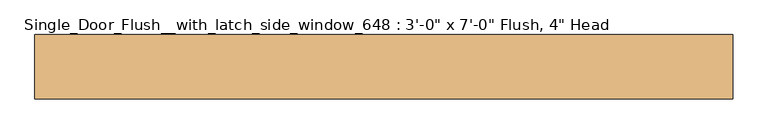
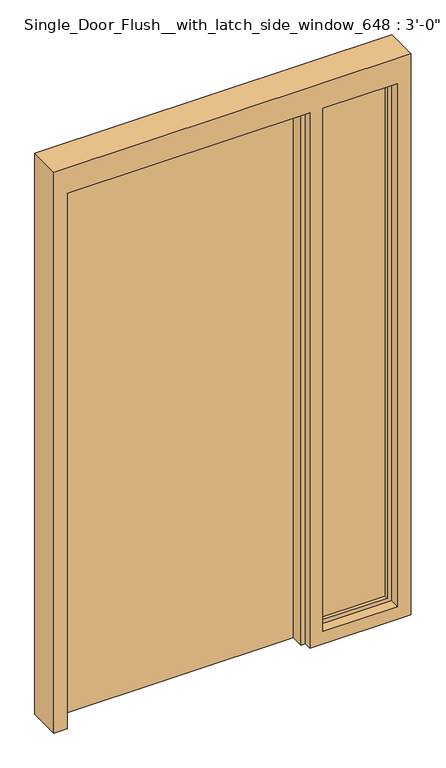
"""IFC4 building model written with IfcOpenShell, lengths in millimetres: door geometry."""

from ifc_helpers import new_model, si_unit, frame, origin, origin_with_axes, place, context, project, spatial, polyline, outline, extrude, faceted_brep, source, transform, mapped, element, save


def door_eb4226c1(model_context):
    return source(origin(), model_context, "Body", "SolidModel", [
        extrude(outline(polyline([(-457.2, 60.0), (457.2, 60.0), (457.2, 15.55), (-457.2, 15.55), (-457.2, 60.0)])), origin_with_axes(), (0.0, 0.0, 1.0), 2133.6),
        extrude(outline(polyline([(2133.6, 508.0), (50.8, 508.0), (50.8, 787.4), (2133.6, 787.4), (2133.6, 508.0)]), holes=[polyline([(2117.725, 771.525), (66.675, 771.525), (66.675, 523.875), (2117.725, 523.875), (2117.725, 771.525)])]), frame((0.0, -25.4, 0.0), z_axis=(0.0, 1.0, 0.0), x_axis=(0.0, 0.0, 1.0)), (0.0, 0.0, 1.0), 50.8),
        faceted_brep([(-457.2, -35.25, 0.0), (-441.325, -35.25, 0.0), (-441.325, -35.25, 2117.725), (441.325, -35.25, 2117.725), (441.325, -35.25, 0.0), (457.2, -35.25, 0.0), (457.2, -35.25, 2133.6), (-457.2, -35.25, 2133.6), (-457.2, -63.825, 0.0), (-508.0, -63.825, 0.0), (-508.0, 60.0, 0.0), (-457.2, 60.0, 0.0), (-457.2, 15.55, 0.0), (-441.325, 15.55, 0.0), (-441.325, 15.55, 2117.725), (441.325, 15.55, 2117.725), (441.325, 15.55, 0.0), (457.2, 15.55, 0.0), (457.2, 60.0, 0.0), (838.2, 60.0, 0.0), (838.2, -63.825, 0.0), (457.2, -63.825, 0.0), (457.2, 60.0, 2133.6), (457.2, 15.55, 2133.6), (457.2, -63.825, 2133.6), (-457.2, 60.0, 2133.6), (-457.2, 15.55, 2133.6), (-457.2, -63.825, 2133.6), (838.2, -63.825, 2235.2), (-508.0, -63.825, 2235.2), (508.0, -63.825, 2133.6), (787.4, -63.825, 2133.6), (787.4, -63.825, 50.8), (508.0, -63.825, 50.8), (-508.0, 60.0, 2235.2), (838.2, 60.0, 2235.2), (508.0, 60.0, 2133.6), (508.0, 60.0, 50.8), (787.4, 60.0, 50.8), (787.4, 60.0, 2133.6)], [[[0, 1, 2, 3, 4, 5, 6, 7]], [[1, 0, 8, 9, 10, 11, 12, 13]], [[2, 1, 13, 14]], [[4, 3, 15, 16]], [[5, 4, 16, 17, 18, 19, 20, 21]], [[22, 18, 17, 23]], [[21, 24, 6, 5]], [[11, 25, 26, 12]], [[27, 8, 0, 7]], [[17, 16, 15, 14, 13, 12, 26, 23]], [[20, 28, 29, 9, 8, 27, 24, 21], [30, 31, 32, 33]], [[34, 10, 9, 29]], [[19, 18, 22, 25, 11, 10, 34, 35], [36, 37, 38, 39]], [[19, 35, 28, 20]], [[37, 36, 30, 33]], [[38, 37, 33, 32]], [[39, 38, 32, 31]], [[3, 2, 14, 15]], [[25, 22, 23, 26]], [[24, 27, 7, 6]], [[35, 34, 29, 28]], [[36, 39, 31, 30]]]),
        extrude(outline(polyline([(508.0, 0.0), (787.4, 0.0), (787.4, -12.7), (508.0, -12.7), (508.0, 0.0)])), frame((0.0, 0.0, 50.8), z_axis=(0.0, 0.0, 1.0), x_axis=(1.0, 0.0, 0.0)), (0.0, 0.0, 1.0), 2082.8),
    ])


if __name__ == "__main__":
    model = new_model("IFC4")
    model_context = context("Model", 3, world=origin())
    ifc_project = project(units=[si_unit("LENGTHUNIT", "METRE", prefix="MILLI")], contexts=[model_context])
    site = spatial("IfcSite", under=ifc_project)
    building = spatial("IfcBuilding", under=site)
    placement = place(None, origin())
    door_shape = door_eb4226c1(model_context)
    element("IfcDoor", 1, ObjectType="Single_Door_Flush__with_latch_side_window_648 : 3'-0\" x 7'-0\" Flush, 4\" Head", at=placement, inside=building, context=model_context, shape_type="MappedRepresentation", body=[
        mapped(door_shape, transform((0.0, 0.0, 0.0), x_axis=(1.0, 0.0, 0.0), y_axis=(0.0, 1.0, 0.0), z_axis=(0.0, 0.0, 1.0))),
    ])
    save(model, "model.ifc")
